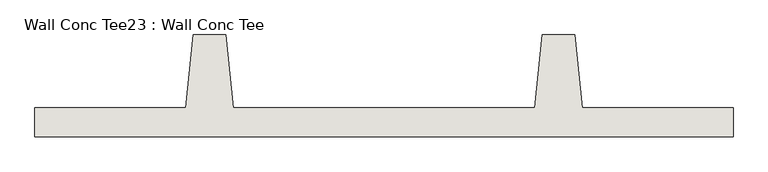
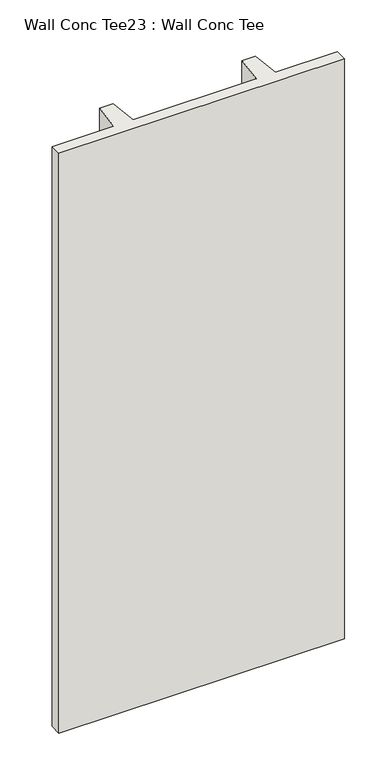
"""IFC4 building model written with IfcOpenShell, lengths in millimetres: wall geometry, Wall Conc Tee23 : Wall Conc Tee."""

from ifc_helpers import new_model, si_unit, frame, origin, place, context, project, spatial, polyline, outline, extrude, source, transform, mapped, element, save


def wall_conc_tee23_wall_conc_tee_fcf5c67a(model_context):
    return source(origin(), model_context, "Body", "SweptSolid", [
        extrude(outline(polyline([(227241.8728488, 180886.8596581), (224803.4728488, 180886.8596581), (224803.4728488, 180988.4596581), (225330.5228488, 180988.4596581), (225355.9228488, 181242.4596581), (225470.2228488, 181242.4596581), (225495.6228488, 180988.4596581), (226549.7228488, 180988.4596581), (226575.1228488, 181242.4596581), (226689.4228488, 181242.4596581), (226714.8228488, 180988.4596581), (227241.8728488, 180988.4596581), (227241.8728488, 180886.8596581)])), frame((0.0, 0.0, 143.7592564), z_axis=(0.0, 0.0, 1.0), x_axis=(1.0, 0.0, 0.0)), (0.0, 0.0, 1.0), 5232.4087123),
    ])


if __name__ == "__main__":
    model = new_model("IFC4")
    model_context = context("Model", 3, world=origin())
    ifc_project = project(units=[si_unit("LENGTHUNIT", "METRE", prefix="MILLI")], contexts=[model_context])
    site = spatial("IfcSite", under=ifc_project)
    building = spatial("IfcBuilding", under=site)
    placement = place(None, origin())
    wall_conc_tee23_wall_conc_tee_shape = wall_conc_tee23_wall_conc_tee_fcf5c67a(model_context)
    element("IfcWall", 1, ObjectType="Wall Conc Tee23 : Wall Conc Tee", at=placement, inside=building, context=model_context, shape_type="MappedRepresentation", body=[
        mapped(wall_conc_tee23_wall_conc_tee_shape, transform((0.0, 0.0, 0.0), x_axis=(1.0, 0.0, 0.0), y_axis=(0.0, 1.0, 0.0), z_axis=(0.0, 0.0, 1.0))),
    ])
    save(model, "model.ifc")
